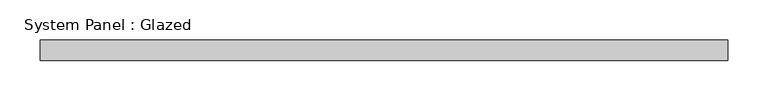
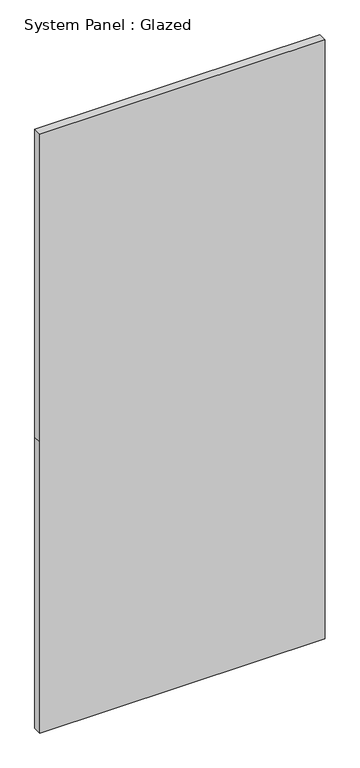
"""IFC4 building model written with IfcOpenShell, lengths in millimetres: plate geometry, System Panel : Glazed."""

from ifc_helpers import new_model, si_unit, frame, origin, place, context, project, spatial, polyline, outline, extrude, source, transform, mapped, element, save


def system_panel_glazed_fa513ac0(model_context):
    return source(origin(), model_context, "Body", "SweptSolid", [
        extrude(outline(polyline([(0.0, -425.0), (0.0, 425.0), (916.6666667, 425.0), (1885.0, 425.0), (1885.0, -425.0), (916.6666667, -425.0), (0.0, -425.0)])), frame((0.0, 24.5, 0.0), z_axis=(0.0, 1.0, 0.0), x_axis=(0.0, 0.0, 1.0)), (0.0, 0.0, 1.0), 25.0),
    ])


if __name__ == "__main__":
    model = new_model("IFC4")
    model_context = context("Model", 3, world=origin())
    ifc_project = project(units=[si_unit("LENGTHUNIT", "METRE", prefix="MILLI")], contexts=[model_context])
    site = spatial("IfcSite", under=ifc_project)
    building = spatial("IfcBuilding", under=site)
    placement = place(None, origin())
    system_panel_glazed_shape = system_panel_glazed_fa513ac0(model_context)
    element("IfcPlate", 1, ObjectType="System Panel : Glazed", at=placement, inside=building, context=model_context, shape_type="MappedRepresentation", body=[
        mapped(system_panel_glazed_shape, transform((0.0, 0.0, 0.0), x_axis=(1.0, 0.0, 0.0), y_axis=(0.0, 1.0, 0.0), z_axis=(0.0, 0.0, 1.0))),
    ])
    save(model, "model.ifc")
